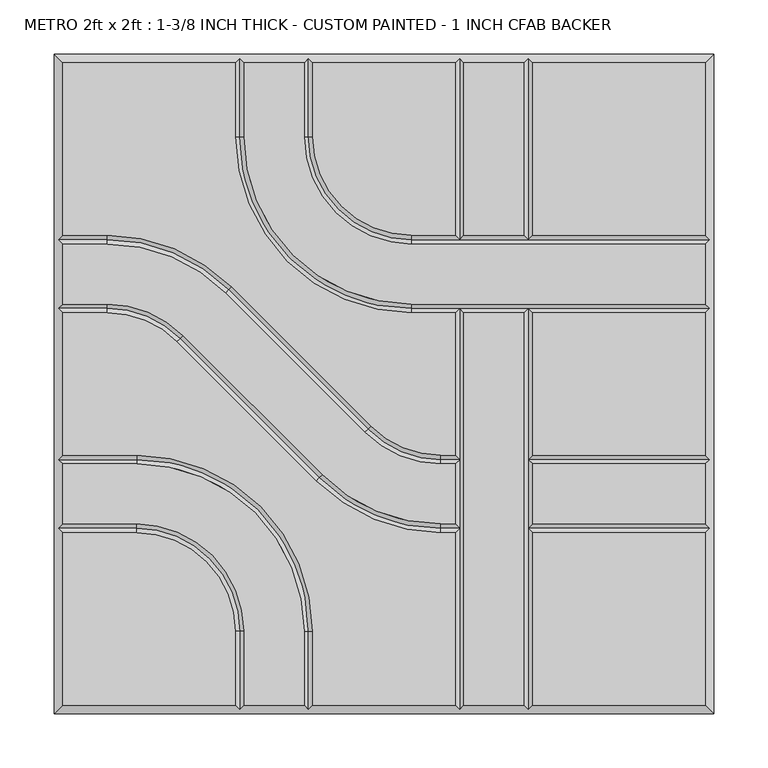
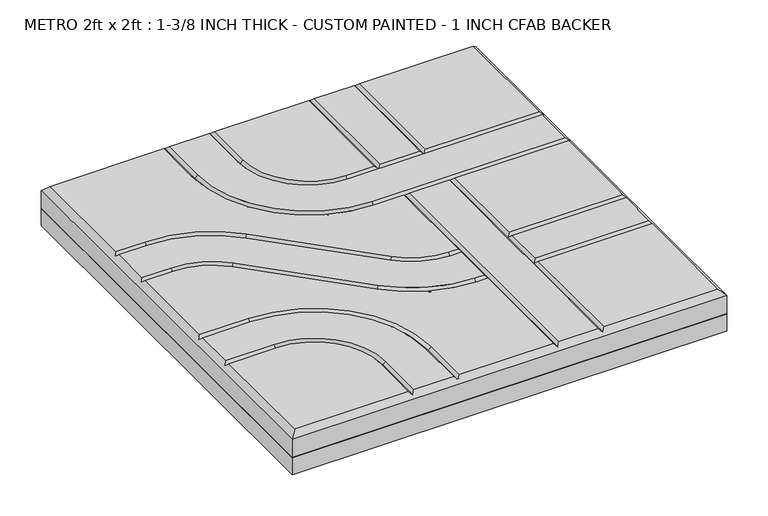
"""IFC4 building model written with IfcOpenShell, lengths in millimetres: proxy geometry, METRO 2ft x 2ft : 1-3/8 INCH THICK - CUSTOM PAINTED - 1 INCH CFAB BACKER."""

from ifc_helpers import new_model, si_unit, frame, origin, place, context, project, spatial, polyline, circle_curve, outline, extrude, source, transform, mapped, element, save
from ifc_brep_helpers import plane_surface, revolved_surface, advanced_brep


def metro_2ft_x_2ft_1_3_8_inch_thick_custom_painted_1_inch_cfab_83ca2258(model_context):
    return source(origin(), model_context, "Body", "SolidModel", [
        extrude(outline(polyline([(-304.8, 304.8), (304.8, 304.8), (304.8, -304.8), (-304.8, -304.8), (-304.8, 304.8)])), frame((0.0, 0.0, -25.4), z_axis=(0.0, 0.0, 1.0), x_axis=(1.0, 0.0, 0.0)), (0.0, 0.0, 1.0), 25.4),
        advanced_brep(
        [(-296.799, 296.799, 34.925), (-296.799, 137.3505125, 34.925), (-255.8081898, 137.3505125, 34.925), (-140.7286116, 89.6843987, 34.925), (-11.9143433, -39.124488, 34.925), (52.607449, -65.8495, 34.925), (65.8495, -65.8495, 34.925), (65.8495, 65.8494982, 34.925), (25.3995376, 65.8494982, 34.925), (-137.3509624, 228.5999982, 34.925), (-137.3509624, 296.799, 34.925), (296.799, 137.3504983, 34.925), (296.799, 296.799, 34.925), (137.3504989, 296.799, 34.925), (137.3504989, 137.3504983, 34.925), (-296.799, -137.3504992, 34.925), (-296.799, -296.799, 34.925), (-137.3505299, -296.799, 34.925), (-137.3505299, -228.5999992, 34.925), (-228.6000299, -137.3504992, 34.925), (137.3505, -296.799, 34.925), (296.799, -296.799, 34.925), (296.799, -137.3505, 34.925), (137.3505, -137.3505, 34.925), (52.607449, -73.8505, 34.925), (-17.5717865, -44.7821676, 34.925), (-146.3860548, 84.0267191, 34.925), (-255.8081898, 129.3495125, 34.925), (-296.799, 129.3495125, 34.925), (-296.799, 73.8505125, 34.925), (-255.8074396, 73.8505125, 34.925), (-185.6278585, 44.7818346, 34.925), (-56.8157432, -84.0261678, 34.925), (52.6069307, -129.3495, 34.925), (65.8495, -129.3495, 34.925), (65.8495, -73.8505, 34.925), (52.6069307, -137.3505, 34.925), (-62.4732142, -89.6838195, 34.925), (-191.2853295, 39.1241829, 34.925), (-255.8074396, 65.8495125, 34.925), (-296.799, 65.8495125, 34.925), (-296.799, -65.8494992, 34.925), (-228.6000171, -65.8494992, 34.925), (-65.8495171, -228.5999992, 34.925), (-65.8495171, -296.799, 34.925), (65.8495, -296.799, 34.925), (65.8495, -137.3505, 34.925), (-129.3495299, -228.5999992, 34.925), (-129.3495299, -296.799, 34.925), (-73.8505171, -296.799, 34.925), (-73.8505171, -228.5999992, 34.925), (-228.6000171, -73.8504992, 34.925), (-296.799, -73.8504992, 34.925), (-296.799, -129.3494992, 34.925), (-228.6000299, -129.3494992, 34.925), (-129.3499624, 296.799, 34.925), (-129.3499624, 228.5999982, 34.925), (25.3995376, 73.8504982, 34.925), (296.799, 73.8504982, 34.925), (296.799, 129.3494983, 34.925), (25.3995504, 129.3494983, 34.925), (-73.8509496, 228.5999983, 34.925), (-73.8509496, 296.799, 34.925), (-65.8499496, 296.799, 34.925), (-65.8499496, 228.5999983, 34.925), (25.3995504, 137.3504983, 34.925), (65.8494989, 137.3504983, 34.925), (65.8494989, 296.799, 34.925), (73.8504989, 296.799, 34.925), (73.8504989, 137.3504983, 34.925), (129.3494989, 137.3504983, 34.925), (129.3494989, 296.799, 34.925), (73.8505, 65.8494982, 34.925), (73.8505, -296.799, 34.925), (129.3495, -296.799, 34.925), (129.3495, 65.8494982, 34.925), (296.799, 65.8494982, 34.925), (137.3505, 65.8494982, 34.925), (137.3505, -65.8495, 34.925), (296.799, -65.8495, 34.925), (137.3505, -129.3495, 34.925), (296.799, -129.3495, 34.925), (296.799, -73.8505, 34.925), (137.3505, -73.8505, 34.925), (-304.8, 304.8, 0.0), (304.8, 304.8, 0.0), (304.8, -304.8, 0.0), (-304.8, -304.8, 0.0), (-304.8, -304.8, 26.924), (-304.8, 304.8, 26.924), (304.8, -304.8, 26.924), (304.8, 304.8, 26.924), (-133.3504624, 300.7995, 30.9245), (-69.8504496, 300.7995, 30.9245), (69.8499989, 300.7995, 30.9245), (133.3499989, 300.7995, 30.9245), (-300.7995, -133.3499992, 30.9245), (-300.7995, -69.8499992, 30.9245), (-300.7995, 69.8500125, 30.9245), (-300.7995, 133.3500125, 30.9245), (133.35, -300.7995, 30.9245), (69.85, -300.7995, 30.9245), (-69.8500171, -300.7995, 30.9245), (-133.3500299, -300.7995, 30.9245), (300.7995, 133.3499983, 30.9245), (300.7995, 69.8499982, 30.9245), (300.7995, -69.85, 30.9245), (300.7995, -133.35, 30.9245), (69.85, -69.85, 30.9245), (52.607449, -69.85, 30.9245), (-14.7430649, -41.9533278, 30.9245), (-143.5573332, 86.8555589, 30.9245), (-255.8081898, 133.3500125, 30.9245), (69.85, -133.35, 30.9245), (52.6069307, -133.35, 30.9245), (-59.6444787, -86.8549936, 30.9245), (-188.456594, 41.9530087, 30.9245), (-255.8074396, 69.8500125, 30.9245), (-133.3500299, -228.5999992, 30.9245), (-228.6000299, -133.3499992, 30.9245), (-228.6000171, -69.8499992, 30.9245), (-69.8500171, -228.5999992, 30.9245), (-133.3504624, 228.5999982, 30.9245), (25.3995376, 69.8499982, 30.9245), (69.85, 69.8499982, 30.9245), (133.35, 69.8499982, 30.9245), (-69.8504496, 228.5999983, 30.9245), (25.3995504, 133.3499983, 30.9245), (133.3499989, 133.3499983, 30.9245), (69.8499989, 133.3499983, 30.9245), (133.35, -133.35, 30.9245), (133.35, -69.85, 30.9245)],
        [
            (0, 1),
            (1, 2),
            (2, 3, circle_curve(frame((-255.8081898, -25.3999875, 34.925), z_axis=(0.0, 0.0, -1.0), x_axis=(0.7070920101993013, 0.7071215518652442, 0.0)), 162.7505)),
            (3, 4),
            (4, 5, circle_curve(frame((52.607449, 25.4, 34.925), z_axis=(0.0, 0.0, 1.0), x_axis=(0.0, -1.0, 0.0)), 91.2495)),
            (5, 6),
            (6, 7),
            (7, 8),
            (8, 9, circle_curve(frame((25.3995376, 228.5999982, 34.925), z_axis=(0.0, 0.0, -1.0), x_axis=(-1.0, 0.0, 0.0)), 162.7505)),
            (9, 10),
            (10, 0),
            (11, 12),
            (12, 13),
            (13, 14),
            (14, 11),
            (15, 16),
            (16, 17),
            (17, 18),
            (18, 19, circle_curve(frame((-228.6000299, -228.5999992, 34.925), z_axis=(0.0, 0.0, 1.0), x_axis=(1.0, 0.0, 0.0)), 91.2495)),
            (19, 15),
            (20, 21),
            (21, 22),
            (22, 23),
            (23, 20),
            (24, 25, circle_curve(frame((52.607449, 25.4, 34.925), z_axis=(0.0, 0.0, -1.0), x_axis=(0.0, -1.0, 0.0)), 99.2505)),
            (25, 26),
            (26, 27, circle_curve(frame((-255.8081898, -25.3999875, 34.925), z_axis=(0.0, 0.0, 1.0), x_axis=(0.7070920101993013, 0.7071215518652442, 0.0)), 154.7495)),
            (27, 28),
            (28, 29),
            (29, 30),
            (30, 31, circle_curve(frame((-255.8074396, -25.3999875, 34.925), z_axis=(0.0, 0.0, -1.0), x_axis=(0.7070954919838734, 0.7071180702089884, 0.0)), 99.2505)),
            (31, 32),
            (32, 33, circle_curve(frame((52.6069307, 25.4, 34.925), z_axis=(0.0, 0.0, 1.0), x_axis=(0.0, -1.0, 0.0)), 154.7495)),
            (33, 34),
            (34, 35),
            (35, 24),
            (36, 37, circle_curve(frame((52.6069307, 25.4, 34.925), z_axis=(0.0, 0.0, -1.0), x_axis=(0.0, -1.0, 0.0)), 162.7505)),
            (37, 38),
            (38, 39, circle_curve(frame((-255.8074396, -25.3999875, 34.925), z_axis=(0.0, 0.0, 1.0), x_axis=(0.7070954919838734, 0.7071180702089884, 0.0)), 91.2495)),
            (39, 40),
            (40, 41),
            (41, 42),
            (42, 43, circle_curve(frame((-228.6000171, -228.5999992, 34.925), z_axis=(0.0, 0.0, -1.0), x_axis=(0.0, 1.0, 0.0)), 162.7505)),
            (43, 44),
            (44, 45),
            (45, 46),
            (46, 36),
            (47, 48),
            (48, 49),
            (49, 50),
            (50, 51, circle_curve(frame((-228.6000171, -228.5999992, 34.925), z_axis=(0.0, 0.0, 1.0), x_axis=(0.0, 1.0, 0.0)), 154.7495)),
            (51, 52),
            (52, 53),
            (53, 54),
            (54, 47, circle_curve(frame((-228.6000299, -228.5999992, 34.925), z_axis=(0.0, 0.0, -1.0), x_axis=(1.0, 0.0, 0.0)), 99.2505)),
            (55, 56),
            (56, 57, circle_curve(frame((25.3995376, 228.5999982, 34.925), z_axis=(0.0, 0.0, 1.0), x_axis=(-1.0, 0.0, 0.0)), 154.7495)),
            (57, 58),
            (58, 59),
            (59, 60),
            (60, 61, circle_curve(frame((25.3995504, 228.5999983, 34.925), z_axis=(0.0, 0.0, -1.0), x_axis=(-1.0, 0.0, 0.0)), 99.2505)),
            (61, 62),
            (62, 55),
            (63, 64),
            (64, 65, circle_curve(frame((25.3995504, 228.5999983, 34.925), z_axis=(0.0, 0.0, 1.0), x_axis=(-1.0, 0.0, 0.0)), 91.2495)),
            (65, 66),
            (66, 67),
            (67, 63),
            (68, 69),
            (69, 70),
            (70, 71),
            (71, 68),
            (72, 73),
            (73, 74),
            (74, 75),
            (75, 72),
            (76, 77),
            (77, 78),
            (78, 79),
            (79, 76),
            (80, 81),
            (81, 82),
            (82, 83),
            (83, 80),
            (84, 85),
            (85, 86),
            (86, 87),
            (87, 84),
            (87, 88),
            (88, 89),
            (89, 84),
            (86, 90),
            (90, 88),
            (85, 91),
            (91, 90),
            (89, 91),
            (89, 0),
            (10, 92),
            (92, 55),
            (62, 93),
            (93, 63),
            (67, 94),
            (94, 68),
            (71, 95),
            (95, 13),
            (12, 91),
            (88, 16),
            (15, 96),
            (96, 53),
            (52, 97),
            (97, 41),
            (40, 98),
            (98, 29),
            (28, 99),
            (99, 1),
            (90, 21),
            (20, 100),
            (100, 74),
            (73, 101),
            (101, 45),
            (44, 102),
            (102, 49),
            (48, 103),
            (103, 17),
            (11, 104),
            (104, 59),
            (58, 105),
            (105, 76),
            (79, 106),
            (106, 82),
            (81, 107),
            (107, 22),
            (108, 109),
            (109, 24),
            (35, 108),
            (108, 6),
            (5, 109),
            (109, 110, circle_curve(frame((52.607449, 25.4, 30.9245), z_axis=(0.0, 0.0, -1.0), x_axis=(0.0, -1.0, 0.0)), 95.25)),
            (110, 25),
            (4, 110),
            (110, 111),
            (111, 26),
            (3, 111),
            (111, 112, circle_curve(frame((-255.8081898, -25.3999875, 30.9245), z_axis=(0.0, 0.0, 1.0), x_axis=(0.7070920101993013, 0.7071215518652442, 0.0)), 158.75)),
            (112, 27),
            (2, 112),
            (112, 99),
            (113, 114),
            (114, 36),
            (46, 113),
            (113, 34),
            (33, 114),
            (114, 115, circle_curve(frame((52.6069307, 25.4, 30.9245), z_axis=(0.0, 0.0, -1.0), x_axis=(0.0, -1.0, 0.0)), 158.75)),
            (115, 37),
            (32, 115),
            (115, 116),
            (116, 38),
            (31, 116),
            (116, 117, circle_curve(frame((-255.8074396, -25.3999875, 30.9245), z_axis=(0.0, 0.0, 1.0), x_axis=(0.7070954919838734, 0.7071180702089884, 0.0)), 95.25)),
            (117, 39),
            (30, 117),
            (117, 98),
            (118, 18),
            (103, 118),
            (47, 118),
            (118, 119, circle_curve(frame((-228.6000299, -228.5999992, 30.9245), z_axis=(0.0, 0.0, 1.0), x_axis=(1.0, 0.0, 0.0)), 95.25)),
            (119, 19),
            (54, 119),
            (119, 96),
            (120, 42),
            (97, 120),
            (51, 120),
            (120, 121, circle_curve(frame((-228.6000171, -228.5999992, 30.9245), z_axis=(0.0, 0.0, -1.0), x_axis=(0.0, 1.0, 0.0)), 158.75)),
            (121, 43),
            (50, 121),
            (121, 102),
            (122, 56),
            (92, 122),
            (9, 122),
            (122, 123, circle_curve(frame((25.3995376, 228.5999982, 30.9245), z_axis=(0.0, 0.0, 1.0), x_axis=(-1.0, 0.0, 0.0)), 158.75)),
            (123, 57),
            (8, 123),
            (123, 124),
            (124, 125),
            (125, 105),
            (125, 77),
            (7, 124),
            (124, 72),
            (75, 125),
            (126, 64),
            (93, 126),
            (61, 126),
            (126, 127, circle_curve(frame((25.3995504, 228.5999983, 30.9245), z_axis=(0.0, 0.0, 1.0), x_axis=(-1.0, 0.0, 0.0)), 95.25)),
            (127, 65),
            (60, 127),
            (14, 128),
            (128, 104),
            (127, 129),
            (129, 66),
            (69, 129),
            (129, 128),
            (128, 70),
            (129, 94),
            (128, 95),
            (108, 124),
            (113, 108),
            (101, 113),
            (100, 130),
            (130, 131),
            (131, 125),
            (23, 130),
            (131, 78),
            (130, 80),
            (83, 131),
            (107, 130),
            (106, 131),
        ],
        [
            plane_surface(frame((-304.8, 304.8, 34.925), z_axis=(0.0, 0.0, 1.0), x_axis=(0.0, -1.0, 0.0))),
            plane_surface(frame((-304.8, 304.8, 0.0), z_axis=(0.0, 0.0, -1.0), x_axis=(0.0, 1.0, 0.0))),
            plane_surface(frame((-304.8, 304.8, 34.925), z_axis=(-1.0, 0.0, 0.0), x_axis=(0.0, 0.0, -1.0))),
            plane_surface(frame((-304.8, -304.8, 34.925), z_axis=(0.0, -1.0, 0.0), x_axis=(0.0, 0.0, -1.0))),
            plane_surface(frame((304.8, -304.8, 34.925), z_axis=(1.0, 0.0, 0.0), x_axis=(0.0, 0.0, -1.0))),
            plane_surface(frame((304.8, 304.8, 34.925), z_axis=(0.0, 1.0, 0.0), x_axis=(0.0, 0.0, -1.0))),
            plane_surface(frame((296.799, 296.799, 34.925), z_axis=(0.0, 0.707106781186547, 0.7071067811865481), x_axis=(-1.0, 0.0, 0.0))),
            plane_surface(frame((-296.799, 296.799, 34.925), z_axis=(-0.707106781186547, 0.0, 0.7071067811865481), x_axis=(0.0, -1.0, 0.0))),
            plane_surface(frame((-296.799, -296.799, 34.925), z_axis=(0.0, -0.707106781186547, 0.7071067811865481), x_axis=(1.0, 0.0, 0.0))),
            plane_surface(frame((296.799, -296.799, 34.925), z_axis=(0.707106781186547, 0.0, 0.7071067811865481), x_axis=(0.0, 1.0, 0.0))),
            plane_surface(frame((69.85, -73.8505, 34.925), z_axis=(0.0, 0.7071067811865469, 0.7071067811865482), x_axis=(-1.0, 0.0, 0.0))),
            plane_surface(frame((69.85, -69.85, 30.9245), z_axis=(0.0, -0.7071067811865469, 0.7071067811865482), x_axis=(-1.0, 0.0, 0.0))),
            revolved_surface(polyline([(52.607449, -69.85, 30.9245), (52.607449, -73.8505, 34.925)]), (52.607449, 25.4, 34.925), (0.0, 0.0, -1.0)),
            revolved_surface(polyline([(52.607449, -65.8495, 34.925), (52.607449, -69.85, 30.9245)]), (52.607449, 25.4, 34.925), (0.0, 0.0, -1.0)),
            plane_surface(frame((-17.5717865, -44.7821676, 34.925), z_axis=(0.49998955533475287, 0.5000104444470687, 0.7071067811865481), x_axis=(-0.7071215518652442, 0.7070920101993012, 0.0))),
            plane_surface(frame((-14.7430649, -41.9533278, 30.9245), z_axis=(-0.49998955533475287, -0.5000104444470689, 0.7071067811865483), x_axis=(-0.7071215518652444, 0.7070920101993012, 0.0))),
            revolved_surface(polyline([(-143.5573332, 86.8555589, 30.9245), (-146.3860548, 84.0267191, 34.925)]), (-255.8081898, -25.3999875, 34.925), (0.0, 0.0, 1.0)),
            revolved_surface(polyline([(-140.7286116, 89.6843987, 34.925), (-143.5573332, 86.8555589, 30.9245)]), (-255.8081898, -25.3999875, 34.925), (0.0, 0.0, 1.0)),
            plane_surface(frame((-255.8081898, 129.3495125, 34.925), z_axis=(0.0, 0.7071067811865469, 0.7071067811865482), x_axis=(-1.0, 0.0, 0.0))),
            plane_surface(frame((-255.8081898, 133.3500125, 30.9245), z_axis=(0.0, -0.7071067811865469, 0.7071067811865482), x_axis=(-1.0, 0.0, 0.0))),
            plane_surface(frame((69.85, -137.3505, 34.925), z_axis=(0.0, 0.7071067811865471, 0.707106781186548), x_axis=(-1.0, 0.0, 0.0))),
            plane_surface(frame((69.85, -133.35, 30.9245), z_axis=(0.0, -0.7071067811865471, 0.707106781186548), x_axis=(-1.0, 0.0, 0.0))),
            revolved_surface(polyline([(52.6069307, -133.35, 30.9245), (52.6069307, -137.3505, 34.925)]), (52.6069307, 25.4, 34.925), (0.0, 0.0, -1.0)),
            revolved_surface(polyline([(52.6069307, -129.3495, 34.925), (52.6069307, -133.35, 30.9245)]), (52.6069307, 25.4, 34.925), (0.0, 0.0, -1.0)),
            plane_surface(frame((-62.4732142, -89.6838195, 34.925), z_axis=(0.49999201732823445, 0.5000079825443209, 0.7071067811865479), x_axis=(-0.7071180702089888, 0.7070954919838731, 0.0))),
            plane_surface(frame((-59.6444787, -86.8549936, 30.9245), z_axis=(-0.49999201732823445, -0.5000079825443208, 0.707106781186548), x_axis=(-0.7071180702089888, 0.7070954919838732, 0.0))),
            revolved_surface(polyline([(-188.456594, 41.9530087, 30.9245), (-191.2853295, 39.1241829, 34.925)]), (-255.8074396, -25.3999875, 34.925), (0.0, 0.0, 1.0)),
            revolved_surface(polyline([(-185.6278585, 44.7818346, 34.925), (-188.456594, 41.9530087, 30.9245)]), (-255.8074396, -25.3999875, 34.925), (0.0, 0.0, 1.0)),
            plane_surface(frame((-255.8074396, 65.8495125, 34.925), z_axis=(0.0, 0.7071067811865472, 0.7071067811865479), x_axis=(-1.0, 0.0, 0.0))),
            plane_surface(frame((-255.8074396, 69.8500125, 30.9245), z_axis=(0.0, -0.7071067811865472, 0.7071067811865479), x_axis=(-1.0, 0.0, 0.0))),
            plane_surface(frame((-137.3505299, -304.8, 34.925), z_axis=(0.707106781186547, 0.0, 0.7071067811865481), x_axis=(0.0, 1.0, 0.0))),
            plane_surface(frame((-133.3500299, -304.8, 30.9245), z_axis=(-0.707106781186547, 0.0, 0.7071067811865481), x_axis=(0.0, 1.0, 0.0))),
            revolved_surface(polyline([(-133.3500299, -228.5999992, 30.9245), (-137.3505299, -228.5999992, 34.925)]), (-228.6000299, -228.5999992, 34.925), (0.0, 0.0, 1.0)),
            revolved_surface(polyline([(-129.3495299, -228.5999992, 34.925), (-133.3500299, -228.5999992, 30.9245)]), (-228.6000299, -228.5999992, 34.925), (0.0, 0.0, 1.0)),
            plane_surface(frame((-228.6000299, -137.3504992, 34.925), z_axis=(0.0, 0.707106781186547, 0.7071067811865481), x_axis=(-1.0, 0.0, 0.0))),
            plane_surface(frame((-228.6000299, -133.3499992, 30.9245), z_axis=(0.0, -0.707106781186547, 0.7071067811865481), x_axis=(-1.0, 0.0, 0.0))),
            plane_surface(frame((-304.8, -65.8494992, 34.925), z_axis=(0.0, -0.707106781186547, 0.7071067811865481), x_axis=(1.0, 0.0, 0.0))),
            plane_surface(frame((-304.8, -69.8499992, 30.9245), z_axis=(0.0, 0.707106781186547, 0.7071067811865481), x_axis=(1.0, 0.0, 0.0))),
            revolved_surface(polyline([(-228.6000171, -69.8499992, 30.9245), (-228.6000171, -65.8494992, 34.925)]), (-228.6000171, -228.5999992, 34.925), (0.0, 0.0, -1.0)),
            revolved_surface(polyline([(-228.6000171, -73.8504992, 34.925), (-228.6000171, -69.8499992, 30.9245)]), (-228.6000171, -228.5999992, 34.925), (0.0, 0.0, -1.0)),
            plane_surface(frame((-65.8495171, -228.5999992, 34.925), z_axis=(-0.707106781186547, 0.0, 0.7071067811865481), x_axis=(0.0, -1.0, 0.0))),
            plane_surface(frame((-69.8500171, -228.5999992, 30.9245), z_axis=(0.707106781186547, 0.0, 0.7071067811865481), x_axis=(0.0, -1.0, 0.0))),
            plane_surface(frame((-129.3499624, 304.8, 34.925), z_axis=(-0.707106781186547, 0.0, 0.7071067811865481), x_axis=(0.0, -1.0, 0.0))),
            plane_surface(frame((-133.3504624, 304.8, 30.9245), z_axis=(0.707106781186547, 0.0, 0.7071067811865481), x_axis=(0.0, -1.0, 0.0))),
            revolved_surface(polyline([(-133.3504624, 228.5999982, 30.9245), (-129.3499624, 228.5999982, 34.925)]), (25.3995376, 228.5999982, 34.925), (0.0, 0.0, 1.0)),
            revolved_surface(polyline([(-137.3509624, 228.5999982, 34.925), (-133.3504624, 228.5999982, 30.9245)]), (25.3995376, 228.5999982, 34.925), (0.0, 0.0, 1.0)),
            plane_surface(frame((25.3995376, 73.8504982, 34.925), z_axis=(0.0, -0.707106781186547, 0.7071067811865481), x_axis=(1.0, 0.0, 0.0))),
            plane_surface(frame((25.3995376, 69.8499982, 30.9245), z_axis=(0.0, 0.707106781186547, 0.7071067811865481), x_axis=(1.0, 0.0, 0.0))),
            plane_surface(frame((-65.8499496, 304.8, 34.925), z_axis=(-0.707106781186547, 0.0, 0.7071067811865481), x_axis=(0.0, -1.0, 0.0))),
            plane_surface(frame((-69.8504496, 304.8, 30.9245), z_axis=(0.707106781186547, 0.0, 0.7071067811865481), x_axis=(0.0, -1.0, 0.0))),
            revolved_surface(polyline([(-69.8504496, 228.5999983, 30.9245), (-65.8499496, 228.5999983, 34.925)]), (25.3995504, 228.5999983, 34.925), (0.0, 0.0, 1.0)),
            revolved_surface(polyline([(-73.8509496, 228.5999983, 34.925), (-69.8504496, 228.5999983, 30.9245)]), (25.3995504, 228.5999983, 34.925), (0.0, 0.0, 1.0)),
            plane_surface(frame((25.3995504, 137.3504983, 34.925), z_axis=(0.0, -0.707106781186547, 0.7071067811865481), x_axis=(1.0, 0.0, 0.0))),
            plane_surface(frame((25.3995504, 133.3499983, 30.9245), z_axis=(0.0, 0.707106781186547, 0.7071067811865481), x_axis=(1.0, 0.0, 0.0))),
            plane_surface(frame((65.8494989, 133.35, 34.925), z_axis=(0.707106781186547, 0.0, 0.7071067811865481), x_axis=(0.0, 1.0, 0.0))),
            plane_surface(frame((69.8499989, 133.35, 30.9245), z_axis=(-0.707106781186547, 0.0, 0.7071067811865481), x_axis=(0.0, 1.0, 0.0))),
            plane_surface(frame((129.3494989, 133.35, 34.925), z_axis=(0.707106781186547, 0.0, 0.7071067811865481), x_axis=(0.0, 1.0, 0.0))),
            plane_surface(frame((133.3499989, 133.35, 30.9245), z_axis=(-0.707106781186547, 0.0, 0.7071067811865481), x_axis=(0.0, 1.0, 0.0))),
            plane_surface(frame((65.8495, -304.8, 34.925), z_axis=(0.707106781186547, 0.0, 0.7071067811865481), x_axis=(0.0, 1.0, 0.0))),
            plane_surface(frame((69.85, -304.8, 30.9245), z_axis=(-0.707106781186547, 0.0, 0.7071067811865481), x_axis=(0.0, 1.0, 0.0))),
            plane_surface(frame((129.3495, -304.8, 34.925), z_axis=(0.707106781186547, 0.0, 0.7071067811865481), x_axis=(0.0, 1.0, 0.0))),
            plane_surface(frame((133.35, -304.8, 30.9245), z_axis=(-0.707106781186547, 0.0, 0.7071067811865481), x_axis=(0.0, 1.0, 0.0))),
            plane_surface(frame((304.8, -137.3505, 34.925), z_axis=(0.0, 0.707106781186547, 0.7071067811865481), x_axis=(-1.0, 0.0, 0.0))),
            plane_surface(frame((304.8, -133.35, 30.9245), z_axis=(0.0, -0.707106781186547, 0.7071067811865481), x_axis=(-1.0, 0.0, 0.0))),
            plane_surface(frame((304.8, -73.8505, 34.925), z_axis=(0.0, 0.707106781186547, 0.7071067811865481), x_axis=(-1.0, 0.0, 0.0))),
            plane_surface(frame((304.8, -69.85, 30.9245), z_axis=(0.0, -0.707106781186547, 0.7071067811865481), x_axis=(-1.0, 0.0, 0.0))),
        ],
        [
            (0, [[1, 2, 3, 4, 5, 6, 7, 8, 9, 10, 11]]),
            (0, [[12, 13, 14, 15]]),
            (0, [[16, 17, 18, 19, 20]]),
            (0, [[21, 22, 23, 24]]),
            (0, [[25, 26, 27, 28, 29, 30, 31, 32, 33, 34, 35, 36]]),
            (0, [[37, 38, 39, 40, 41, 42, 43, 44, 45, 46, 47]]),
            (0, [[48, 49, 50, 51, 52, 53, 54, 55]]),
            (0, [[56, 57, 58, 59, 60, 61, 62, 63]]),
            (0, [[64, 65, 66, 67, 68]]),
            (0, [[69, 70, 71, 72]]),
            (0, [[73, 74, 75, 76]]),
            (0, [[77, 78, 79, 80]]),
            (0, [[81, 82, 83, 84]]),
            (1, [[85, 86, 87, 88]]),
            (2, [[-88, 89, 90, 91]]),
            (3, [[-87, 92, 93, -89]]),
            (4, [[-86, 94, 95, -92]]),
            (5, [[-85, -91, 96, -94]]),
            (6, [[97, -11, 98, 99, -63, 100, 101, -68, 102, 103, -72, 104, 105, -13, 106, -96]]),
            (7, [[-97, -90, 107, -16, 108, 109, -53, 110, 111, -41, 112, 113, -29, 114, 115, -1]]),
            (8, [[-107, -93, 116, -21, 117, 118, -74, 119, 120, -45, 121, 122, -49, 123, 124, -17]]),
            (9, [[-106, -12, 125, 126, -59, 127, 128, -80, 129, 130, -82, 131, 132, -22, -116, -95]]),
            (10, [[133, 134, -36, 135]]),
            (11, [[-133, 136, -6, 137]]),
            (12, [[-134, 138, 139, -25]]),
            (13, [[-137, -5, 140, -138]]),
            (14, [[-139, 141, 142, -26]]),
            (15, [[-140, -4, 143, -141]]),
            (16, [[-142, 144, 145, -27]]),
            (17, [[-143, -3, 146, -144]]),
            (18, [[-145, 147, -114, -28]]),
            (19, [[-146, -2, -115, -147]]),
            (20, [[148, 149, -47, 150]]),
            (21, [[-148, 151, -34, 152]]),
            (22, [[-149, 153, 154, -37]]),
            (23, [[-152, -33, 155, -153]]),
            (24, [[-154, 156, 157, -38]]),
            (25, [[-155, -32, 158, -156]]),
            (26, [[-157, 159, 160, -39]]),
            (27, [[-158, -31, 161, -159]]),
            (28, [[-160, 162, -112, -40]]),
            (29, [[-161, -30, -113, -162]]),
            (30, [[163, -18, -124, 164]]),
            (31, [[165, -164, -123, -48]]),
            (32, [[-163, 166, 167, -19]]),
            (33, [[-165, -55, 168, -166]]),
            (34, [[-167, 169, -108, -20]]),
            (35, [[-168, -54, -109, -169]]),
            (36, [[170, -42, -111, 171]]),
            (37, [[172, -171, -110, -52]]),
            (38, [[-170, 173, 174, -43]]),
            (39, [[-172, -51, 175, -173]]),
            (40, [[-174, 176, -121, -44]]),
            (41, [[-175, -50, -122, -176]]),
            (42, [[177, -56, -99, 178]]),
            (43, [[179, -178, -98, -10]]),
            (44, [[-177, 180, 181, -57]]),
            (45, [[-179, -9, 182, -180]]),
            (46, [[-181, 183, 184, 185, -127, -58]]),
            (47, [[-128, -185, 186, -77]]),
            (47, [[-182, -8, 187, -183]]),
            (47, [[188, -76, 189, -184]]),
            (48, [[190, -64, -101, 191]]),
            (49, [[192, -191, -100, -62]]),
            (50, [[-190, 193, 194, -65]]),
            (51, [[-192, -61, 195, -193]]),
            (52, [[-125, -15, 196, 197]]),
            (52, [[-194, 198, 199, -66]]),
            (52, [[200, 201, 202, -70]]),
            (53, [[-195, -60, -126, -197, -201, -198]]),
            (54, [[203, -102, -67, -199]]),
            (55, [[-203, -200, -69, -103]]),
            (56, [[204, -104, -71, -202]]),
            (57, [[-204, -196, -14, -105]]),
            (58, [[205, -187, -7, -136]]),
            (58, [[206, -135, -35, -151]]),
            (58, [[207, -150, -46, -120]]),
            (59, [[-205, -206, -207, -119, -73, -188]]),
            (60, [[-75, -118, 208, 209, 210, -189]]),
            (61, [[-117, -24, 211, -208]]),
            (61, [[-186, -210, 212, -78]]),
            (61, [[213, -84, 214, -209]]),
            (62, [[215, -211, -23, -132]]),
            (63, [[-215, -131, -81, -213]]),
            (64, [[216, -214, -83, -130]]),
            (65, [[-216, -129, -79, -212]]),
        ],
    ),
    ])


if __name__ == "__main__":
    model = new_model("IFC4")
    model_context = context("Model", 3, world=origin())
    ifc_project = project(units=[si_unit("LENGTHUNIT", "METRE", prefix="MILLI")], contexts=[model_context])
    site = spatial("IfcSite", under=ifc_project)
    building = spatial("IfcBuilding", under=site)
    placement = place(None, origin())
    metro_2ft_x_2ft_1_3_8_inch_thick_custom_painted_1_inch_cfab_shape = metro_2ft_x_2ft_1_3_8_inch_thick_custom_painted_1_inch_cfab_83ca2258(model_context)
    element("IfcBuildingElementProxy", 1, Name="METRO 2ft x 2ft : 1-3/8 INCH THICK - CUSTOM PAINTED - 1 INCH CFAB BACKER", ObjectType="METRO 2ft x 2ft : 1-3/8 INCH THICK - CUSTOM PAINTED - 1 INCH CFAB BACKER", at=placement, inside=building, context=model_context, shape_type="MappedRepresentation", body=[
        mapped(metro_2ft_x_2ft_1_3_8_inch_thick_custom_painted_1_inch_cfab_shape, transform((0.0, 0.0, 0.0), x_axis=(1.0, 0.0, 0.0), y_axis=(0.0, 1.0, 0.0), z_axis=(0.0, 0.0, 1.0))),
    ])
    save(model, "model.ifc")
